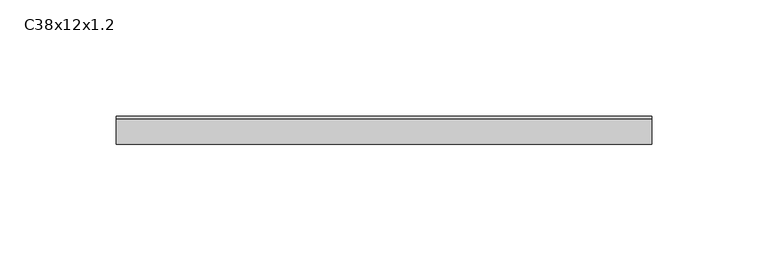
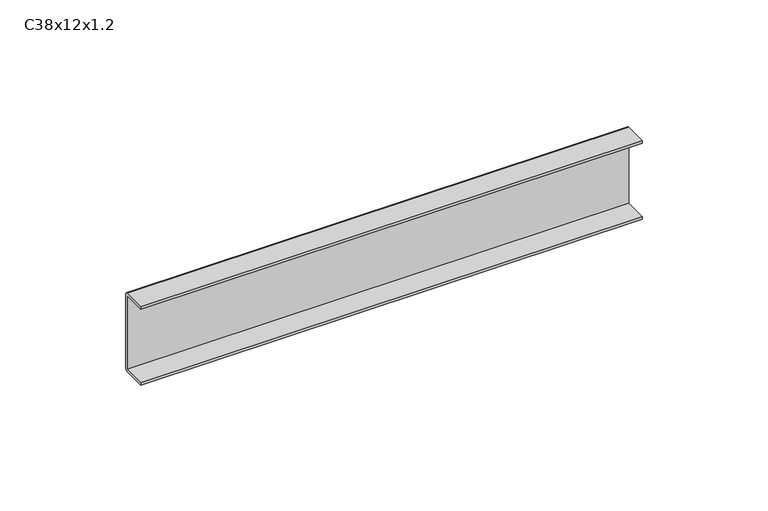
"""IFC4 building model written with IfcOpenShell, lengths in millimetres: proxy geometry, C38x12x1.2."""

from ifc_helpers import new_model, si_unit, point, frame, frame_2d, origin, place, context, project, spatial, polyline, circle_curve, trimmed, segment, composite_curve, outline, extrude, source, transform, mapped, element, save


def c38x12x1_2_4e4050c9(model_context):
    return source(origin(), model_context, "Body", "SweptSolid", [
        extrude(outline(composite_curve([segment(polyline([(-6.0, 36.8), (-6.0, 38.0), (4.8, 38.0)]), True, "CONTINUOUS"), segment(trimmed(circle_curve(frame_2d((4.8, 36.8)), 1.2), [point((4.8, 38.0))], [point((6.0, 36.8))], False, "CARTESIAN"), True, "CONTINUOUS"), segment(polyline([(6.0, 36.8), (6.0, 1.2)]), True, "CONTINUOUS"), segment(trimmed(circle_curve(frame_2d((4.8, 1.2)), 1.2), [point((6.0, 1.2))], [point((4.8, 0.0))], False, "CARTESIAN"), True, "CONTINUOUS"), segment(polyline([(4.8, 0.0), (-6.0, 0.0), (-6.0, 1.2), (4.8, 1.2), (4.8, 36.8), (-6.0, 36.8)]), True, "CONTINUOUS")], self_intersect=False)), frame((0.0, 0.0, 0.0), z_axis=(1.0, 0.0, 0.0), x_axis=(0.0, 1.0, 0.0)), (0.0, 0.0, 1.0), 230.0),
    ])


if __name__ == "__main__":
    model = new_model("IFC4")
    model_context = context("Model", 3, world=origin())
    ifc_project = project(units=[si_unit("LENGTHUNIT", "METRE", prefix="MILLI")], contexts=[model_context])
    site = spatial("IfcSite", under=ifc_project)
    building = spatial("IfcBuilding", under=site)
    placement = place(None, origin())
    c38x12x1_2_shape = c38x12x1_2_4e4050c9(model_context)
    element("IfcBuildingElementProxy", 1, Name="C38x12x1.2", ObjectType="C38x12x1.2", at=placement, inside=building, context=model_context, shape_type="MappedRepresentation", body=[
        mapped(c38x12x1_2_shape, transform((0.0, 0.0, 0.0), x_axis=(1.0, 0.0, 0.0), y_axis=(0.0, 1.0, 0.0), z_axis=(0.0, 0.0, 1.0))),
    ])
    save(model, "model.ifc")
